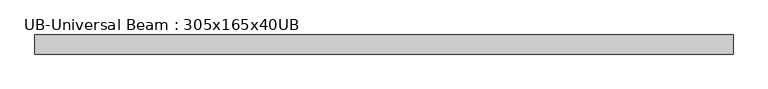
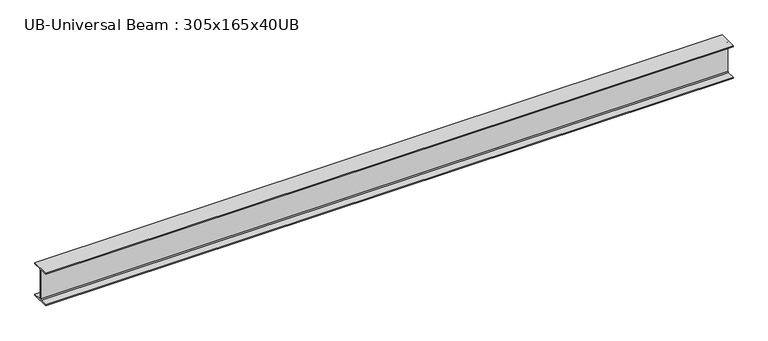
"""IFC4 building model written with IfcOpenShell, lengths in millimetres: beam geometry, UB-Universal Beam : 305x165x40UB."""

from ifc_helpers import new_model, si_unit, point, frame, frame_2d, origin, place, context, project, spatial, polyline, circle_curve, trimmed, segment, composite_curve, outline, extrude, source, transform, mapped, element, save


def ub_universal_beam_305x165x40ub_b5220dec(model_context):
    return source(origin(), model_context, "Body", "SweptSolid", [
        extrude(outline(composite_curve([segment(polyline([(82.5, -141.5), (82.5, -151.7), (-82.5, -151.7), (-82.5, -141.5), (-11.9, -141.5)]), True, "CONTINUOUS"), segment(trimmed(circle_curve(frame_2d((-11.9, -132.6)), 8.9), [point((-11.9, -141.5))], [point((-3.0, -132.6))], True, "CARTESIAN"), True, "CONTINUOUS"), segment(polyline([(-3.0, -132.6), (-3.0, 132.6)]), True, "CONTINUOUS"), segment(trimmed(circle_curve(frame_2d((-11.9, 132.6)), 8.9), [point((-3.0, 132.6))], [point((-11.9, 141.5))], True, "CARTESIAN"), True, "CONTINUOUS"), segment(polyline([(-11.9, 141.5), (-82.5, 141.5), (-82.5, 151.7), (82.5, 151.7), (82.5, 141.5), (11.9, 141.5)]), True, "CONTINUOUS"), segment(trimmed(circle_curve(frame_2d((11.9, 132.6)), 8.9), [point((11.9, 141.5))], [point((3.0, 132.6))], True, "CARTESIAN"), True, "CONTINUOUS"), segment(polyline([(3.0, 132.6), (3.0, -132.6)]), True, "CONTINUOUS"), segment(trimmed(circle_curve(frame_2d((11.9, -132.6)), 8.9), [point((3.0, -132.6))], [point((11.9, -141.5))], True, "CARTESIAN"), True, "CONTINUOUS"), segment(polyline([(11.9, -141.5), (82.5, -141.5)]), True, "CONTINUOUS")], self_intersect=False)), frame((-2987.2699182, 0.0, 0.0), z_axis=(1.0, 0.0, 0.0), x_axis=(0.0, 1.0, 0.0)), (0.0, 0.0, 1.0), 6033.0351339),
    ])


if __name__ == "__main__":
    model = new_model("IFC4")
    model_context = context("Model", 3, world=origin())
    ifc_project = project(units=[si_unit("LENGTHUNIT", "METRE", prefix="MILLI")], contexts=[model_context])
    site = spatial("IfcSite", under=ifc_project)
    building = spatial("IfcBuilding", under=site)
    placement = place(None, origin())
    ub_universal_beam_305x165x40ub_shape = ub_universal_beam_305x165x40ub_b5220dec(model_context)
    element("IfcBeam", 1, ObjectType="UB-Universal Beam : 305x165x40UB", at=placement, inside=building, context=model_context, shape_type="MappedRepresentation", body=[
        mapped(ub_universal_beam_305x165x40ub_shape, transform((0.0, 0.0, 0.0), x_axis=(1.0, 0.0, 0.0), y_axis=(0.0, 1.0, 0.0), z_axis=(0.0, 0.0, 1.0))),
    ])
    save(model, "model.ifc")
